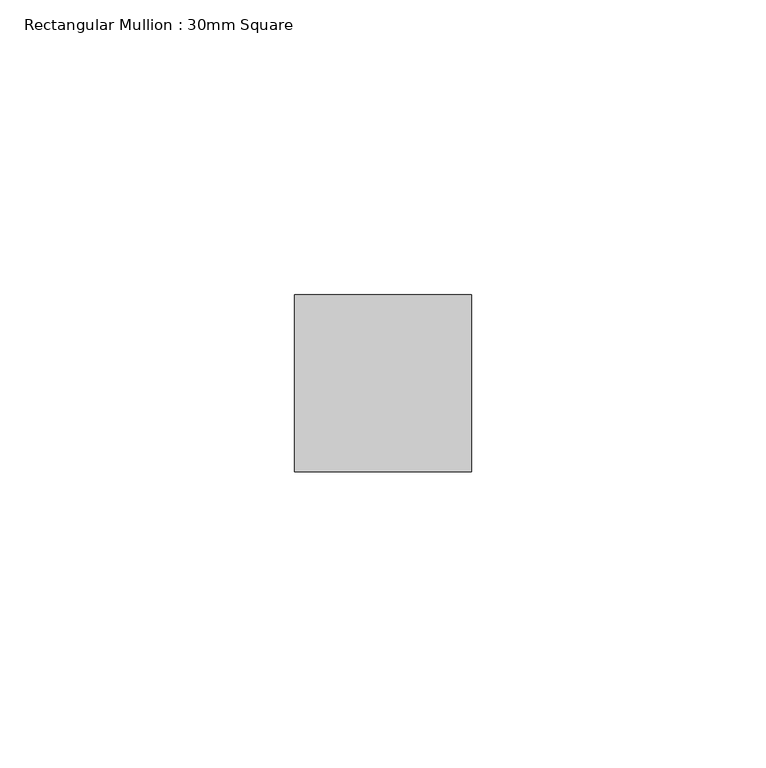
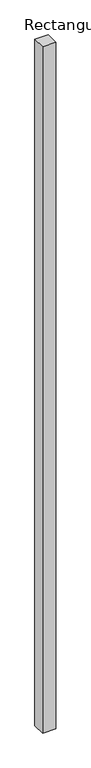
"""IFC4 building model written with IfcOpenShell, lengths in millimetres: member geometry, Rectangular Mullion : 30mm Square."""

from ifc_helpers import new_model, si_unit, frame, origin, place, context, project, spatial, polyline, outline, extrude, source, transform, mapped, element, save


def rectangular_mullion_30mm_square_fbb2beb6(model_context):
    return source(origin(), model_context, "Body", "SweptSolid", [
        extrude(outline(polyline([(15.0, 15.0), (15.0, -15.0), (-15.0, -15.0), (-15.0, 15.0), (15.0, 15.0)])), frame((0.0, 0.0, -1650.0), z_axis=(0.0, 0.0, 1.0), x_axis=(1.0, 0.0, 0.0)), (0.0, 0.0, 1.0), 1650.0),
    ])


if __name__ == "__main__":
    model = new_model("IFC4")
    model_context = context("Model", 3, world=origin())
    ifc_project = project(units=[si_unit("LENGTHUNIT", "METRE", prefix="MILLI")], contexts=[model_context])
    site = spatial("IfcSite", under=ifc_project)
    building = spatial("IfcBuilding", under=site)
    placement = place(None, origin())
    rectangular_mullion_30mm_square_shape = rectangular_mullion_30mm_square_fbb2beb6(model_context)
    element("IfcMember", 1, ObjectType="Rectangular Mullion : 30mm Square", at=placement, inside=building, context=model_context, shape_type="MappedRepresentation", body=[
        mapped(rectangular_mullion_30mm_square_shape, transform((0.0, 0.0, 0.0), x_axis=(1.0, 0.0, 0.0), y_axis=(0.0, 1.0, 0.0), z_axis=(0.0, 0.0, 1.0))),
    ])
    save(model, "model.ifc")
